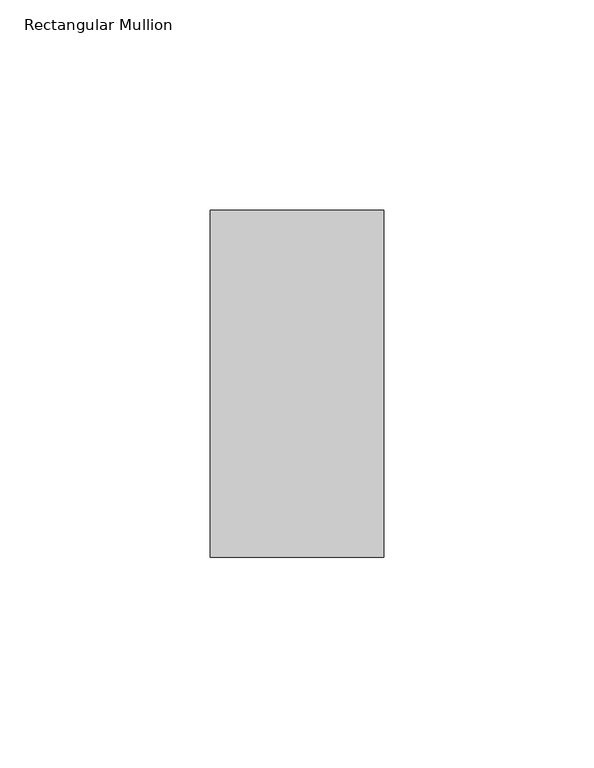
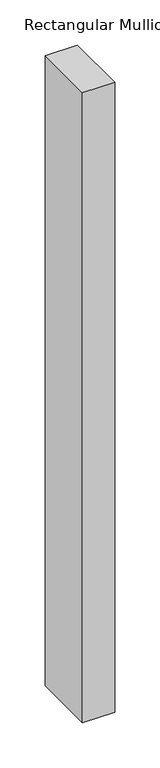
"""IFC4 building model written with IfcOpenShell, lengths in millimetres: member geometry, Rectangular Mullion."""

from ifc_helpers import new_model, si_unit, frame, origin, place, context, project, spatial, polyline, outline, extrude, source, transform, mapped, element, save


def rectangular_mullion_7a277e94(model_context):
    return source(origin(), model_context, "Body", "SweptSolid", [
        extrude(outline(polyline([(0.0, -73.025), (-41.275, -73.025), (-41.275, 9.525), (0.0, 9.525), (0.0, -73.025)])), frame((0.0, 0.0, -850.9), z_axis=(0.0, 0.0, 1.0), x_axis=(1.0, 0.0, 0.0)), (0.0, 0.0, 1.0), 850.9),
    ])


if __name__ == "__main__":
    model = new_model("IFC4")
    model_context = context("Model", 3, world=origin())
    ifc_project = project(units=[si_unit("LENGTHUNIT", "METRE", prefix="MILLI")], contexts=[model_context])
    site = spatial("IfcSite", under=ifc_project)
    building = spatial("IfcBuilding", under=site)
    placement = place(None, origin())
    rectangular_mullion_shape = rectangular_mullion_7a277e94(model_context)
    element("IfcMember", 1, ObjectType="Rectangular Mullion", at=placement, inside=building, context=model_context, shape_type="MappedRepresentation", body=[
        mapped(rectangular_mullion_shape, transform((0.0, 0.0, 0.0), x_axis=(1.0, 0.0, 0.0), y_axis=(0.0, 1.0, 0.0), z_axis=(0.0, 0.0, 1.0))),
    ])
    save(model, "model.ifc")
